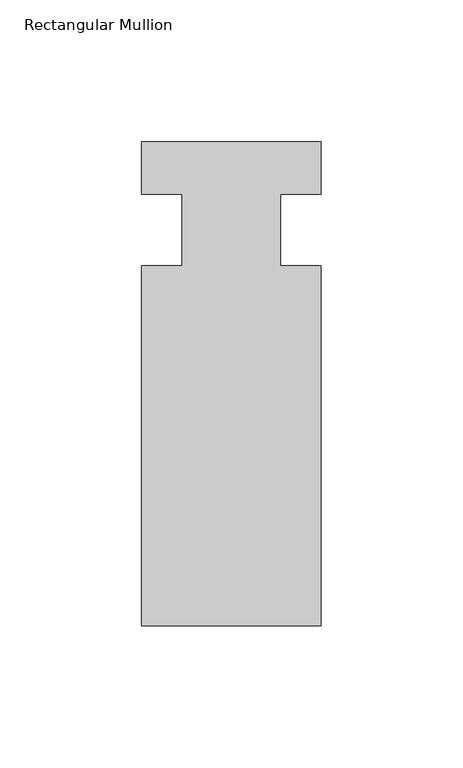
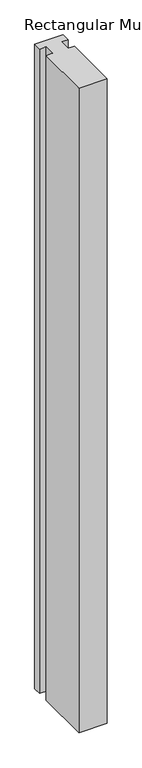
"""IFC4 building model written with IfcOpenShell, lengths in millimetres: member geometry, Rectangular Mullion."""

from ifc_helpers import new_model, si_unit, frame, origin, place, context, project, spatial, polyline, outline, extrude, source, transform, mapped, element, save


def rectangular_mullion_b199b035(model_context):
    return source(origin(), model_context, "Body", "SweptSolid", [
        extrude(outline(polyline([(-63.5, -139.6563438), (-63.5, -12.6563184), (-49.2125, -12.6563438), (-49.2125, 12.7436562), (-63.5, 12.7436562), (-63.5, 31.2539062), (0.0, 31.2539062), (0.0, 12.7436562), (-14.2875, 12.7436562), (-14.2875, -12.6563438), (0.0, -12.6563438), (0.0, -139.6563438), (-63.5, -139.6563438)])), frame((0.0, 0.0, -1524.0), z_axis=(0.0, 0.0, 1.0), x_axis=(1.0, 0.0, 0.0)), (0.0, 0.0, 1.0), 1524.0),
    ])


if __name__ == "__main__":
    model = new_model("IFC4")
    model_context = context("Model", 3, world=origin())
    ifc_project = project(units=[si_unit("LENGTHUNIT", "METRE", prefix="MILLI")], contexts=[model_context])
    site = spatial("IfcSite", under=ifc_project)
    building = spatial("IfcBuilding", under=site)
    placement = place(None, origin())
    rectangular_mullion_shape = rectangular_mullion_b199b035(model_context)
    element("IfcMember", 1, ObjectType="Rectangular Mullion", at=placement, inside=building, context=model_context, shape_type="MappedRepresentation", body=[
        mapped(rectangular_mullion_shape, transform((0.0, 0.0, 0.0), x_axis=(1.0, 0.0, 0.0), y_axis=(0.0, 1.0, 0.0), z_axis=(0.0, 0.0, 1.0))),
    ])
    save(model, "model.ifc")
